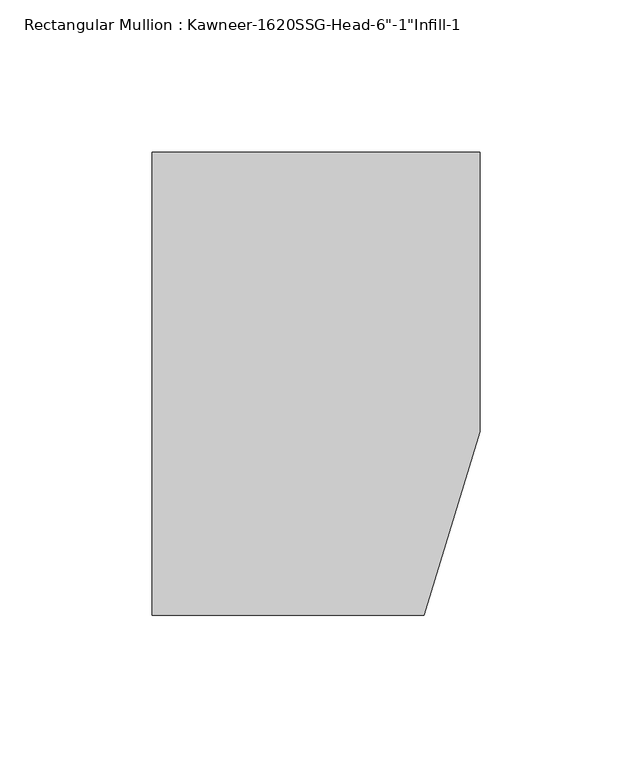
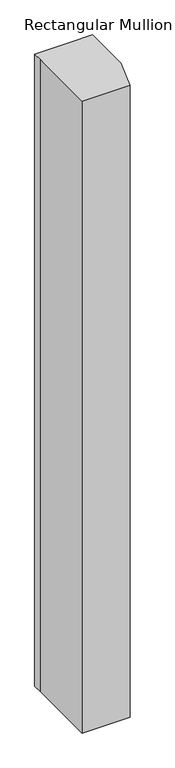
"""IFC4 building model written with IfcOpenShell, lengths in millimetres: member geometry."""

from ifc_helpers import new_model, si_unit, frame, origin, place, context, project, spatial, polyline, outline, extrude, source, transform, mapped, element, save


def member_48840475(model_context):
    return source(origin(), model_context, "Body", "SweptSolid", [
        extrude(outline(polyline([(-107.95, 19.9095466), (-107.95, 38.1), (-44.1519366, 38.1), (0.0, 38.1), (0.0, -53.975), (-18.3538271, -114.3), (-107.95, -114.3), (-107.95, 19.9095466)])), frame((0.0, 0.0, -1244.4243428), z_axis=(0.0, 0.0, 1.0), x_axis=(1.0, 0.0, 0.0)), (0.0, 0.0, 1.0), 1244.4243428),
    ])


if __name__ == "__main__":
    model = new_model("IFC4")
    model_context = context("Model", 3, world=origin())
    ifc_project = project(units=[si_unit("LENGTHUNIT", "METRE", prefix="MILLI")], contexts=[model_context])
    site = spatial("IfcSite", under=ifc_project)
    building = spatial("IfcBuilding", under=site)
    placement = place(None, origin())
    member_shape = member_48840475(model_context)
    element("IfcMember", 1, ObjectType="Rectangular Mullion : Kawneer-1620SSG-Head-6\"-1\"Infill-1", at=placement, inside=building, context=model_context, shape_type="MappedRepresentation", body=[
        mapped(member_shape, transform((0.0, 0.0, 0.0), x_axis=(1.0, 0.0, 0.0), y_axis=(0.0, 1.0, 0.0), z_axis=(0.0, 0.0, 1.0))),
    ])
    save(model, "model.ifc")
